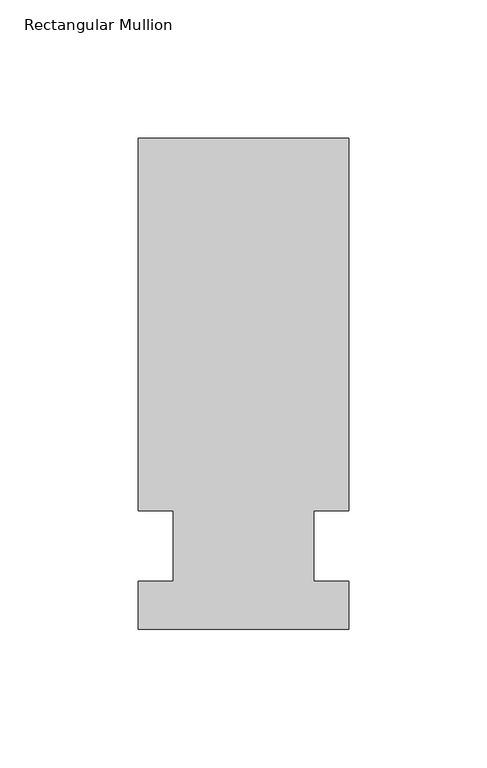
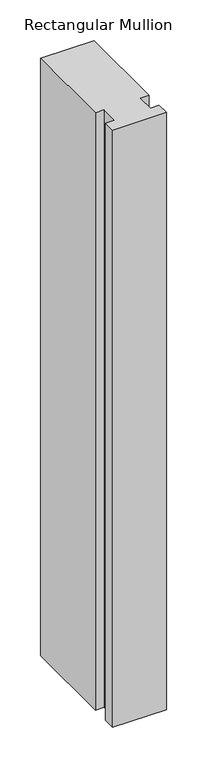
"""IFC4 building model written with IfcOpenShell, lengths in millimetres: member geometry, Rectangular Mullion."""

from ifc_helpers import new_model, si_unit, frame, origin, place, context, project, spatial, polyline, outline, extrude, source, transform, mapped, element, save


def rectangular_mullion_fc4dbee3(model_context):
    return source(origin(), model_context, "Body", "SweptSolid", [
        extrude(outline(polyline([(42.4344027, 147.6375), (42.4344027, 12.7), (29.7326322, 12.7), (29.7326322, -12.7), (42.4344027, -12.7), (42.4344027, -30.1625), (-33.7655973, -30.1625), (-33.7655973, -12.7), (-21.0655973, -12.7), (-21.0655973, 12.7), (-33.7655973, 12.7), (-33.7655973, 147.6375), (42.4344027, 147.6375)])), frame((0.0, 0.0, -896.5094027), z_axis=(0.0, 0.0, 1.0), x_axis=(1.0, 0.0, 0.0)), (0.0, 0.0, 1.0), 896.5094027),
    ])


if __name__ == "__main__":
    model = new_model("IFC4")
    model_context = context("Model", 3, world=origin())
    ifc_project = project(units=[si_unit("LENGTHUNIT", "METRE", prefix="MILLI")], contexts=[model_context])
    site = spatial("IfcSite", under=ifc_project)
    building = spatial("IfcBuilding", under=site)
    placement = place(None, origin())
    rectangular_mullion_shape = rectangular_mullion_fc4dbee3(model_context)
    element("IfcMember", 1, ObjectType="Rectangular Mullion", at=placement, inside=building, context=model_context, shape_type="MappedRepresentation", body=[
        mapped(rectangular_mullion_shape, transform((0.0, 0.0, 0.0), x_axis=(1.0, 0.0, 0.0), y_axis=(0.0, 1.0, 0.0), z_axis=(0.0, 0.0, 1.0))),
    ])
    save(model, "model.ifc")
